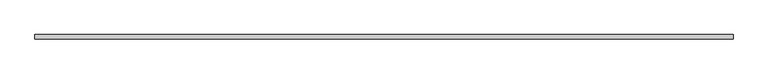
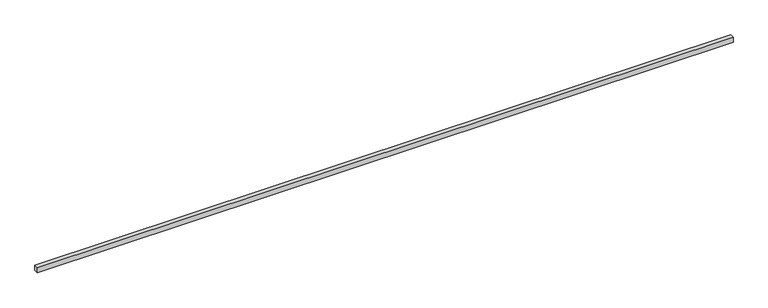
"""IFC4 building model written with IfcOpenShell, lengths in millimetres: proxy geometry."""

from ifc_helpers import new_model, si_unit, frame, origin, place, context, project, spatial, polyline, outline, extrude, source, transform, mapped, element, save


def generic_models_43908a67(model_context):
    return source(origin(), model_context, "Body", "SweptSolid", [
        extrude(outline(polyline([(40.0, 0.0), (-40.0, 0.0), (-40.0, 13080.0), (40.0, 13080.0), (40.0, 0.0)])), frame((13080.0, 0.0, 0.0), z_axis=(0.0, -1.9783474858313244e-12, 1.0), x_axis=(0.0, 1.0, 1.9783474858313244e-12)), (0.0, 0.0, 1.0), 100.0),
    ])


if __name__ == "__main__":
    model = new_model("IFC4")
    model_context = context("Model", 3, world=origin())
    ifc_project = project(units=[si_unit("LENGTHUNIT", "METRE", prefix="MILLI")], contexts=[model_context])
    site = spatial("IfcSite", under=ifc_project)
    building = spatial("IfcBuilding", under=site)
    placement = place(None, origin())
    generic_models_shape = generic_models_43908a67(model_context)
    element("IfcBuildingElementProxy", 1, Name="Generic Models", at=placement, inside=building, context=model_context, shape_type="MappedRepresentation", body=[
        mapped(generic_models_shape, transform((0.0, 0.0, 0.0), x_axis=(1.0, 0.0, 0.0), y_axis=(0.0, 1.0, 0.0), z_axis=(0.0, 0.0, 1.0))),
    ])
    save(model, "model.ifc")
